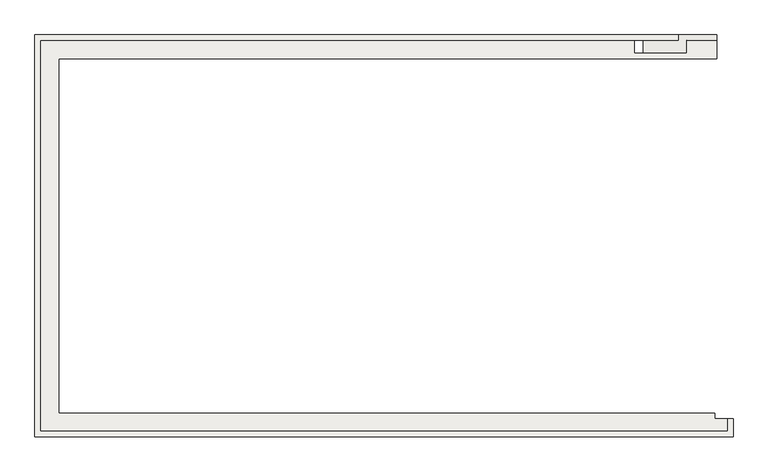
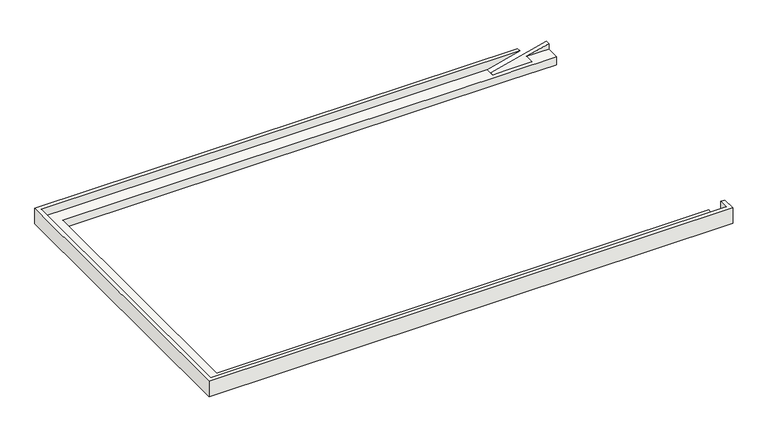
"""IFC4 building model written with IfcOpenShell, lengths in millimetres: slab geometry."""

from ifc_helpers import new_model, si_unit, origin, place, context, project, spatial, faceted_brep, source, transform, mapped, element, save


def slab_ff058162(model_context):
    return source(origin(), model_context, "Body", "Brep", [
        faceted_brep([(18779.3852488, -508.8235294, 4700.0), (18779.3852488, -508.8235294, 4100.0), (18779.3852488, -8.8235294, 4100.0), (18779.3852488, -8.8235294, 4700.0), (229.3852488, 141.1764706, 4100.0), (229.3852488, 141.1764706, 4106.0), (229.3852488, 141.1764706, 4400.0), (18279.3852488, 141.1764706, 4400.0), (18279.3852488, 141.1764706, 4100.0), (-420.6147512, -508.8235294, 4700.0), (-420.6147512, -508.8235294, 4100.0), (18629.3852488, -508.8235294, 4100.0), (-270.6147512, -358.8235294, 4400.0), (-270.6147512, -358.8235294, 4700.0), (18629.3852488, -358.8235294, 4700.0), (18629.3852488, -358.8235294, 4400.0), (18329.3852488, 9891.1764706, 4100.0), (18329.3852488, 10541.1764706, 4100.0), (18329.3852488, 10541.1764706, 4604.1612425), (18329.3852488, 10391.1764706, 4604.1612425), (18329.3852488, 10391.1764706, 4400.0), (18329.3852488, 9891.1764706, 4400.0), (229.3852488, 9891.1764706, 4100.0), (229.3852488, 9891.1764706, 4106.0), (229.3852488, 9891.1764706, 4400.0), (-420.6147512, 10541.1764706, 4700.0), (-420.6147512, 10541.1764706, 4100.0), (-270.6147512, 10391.1764706, 4400.0), (-270.6147512, 10391.1764706, 4700.0), (14860.5570268, 10541.1764706, 4100.0), (14860.5570268, 10041.1764706, 4100.0), (16307.3049499, 10041.1764706, 4100.0), (16307.3049499, 10541.1764706, 4100.0), (18279.3852488, 9891.1764706, 4100.0), (16579.3852488, 9891.1764706, 4100.0), (18279.3852488, -8.8235294, 4100.0), (17267.025587, 10391.1764706, 4700.0), (17267.025587, 10541.1764706, 4700.0), (18629.3852488, -8.8235294, 4700.0), (16579.3852488, 9891.1764706, 4400.0), (16729.3852488, 9891.1764706, 4400.0), (18279.3852488, 9891.1764706, 4400.0), (17510.5392299, 10391.1764706, 4400.0), (17510.5392299, 10041.1764706, 4400.0), (16579.3852488, 10041.1764706, 4400.0), (16063.7913069, 10041.1764706, 4400.0), (16063.7913069, 10391.1764706, 4400.0), (18629.3852488, -8.8235294, 4400.0), (18279.3852488, -8.8235294, 4400.0), (18279.3852488, 41.1764706, 4400.0)], [[[0, 1, 2, 3]], [[4, 5, 6, 7, 8]], [[1, 0, 9, 10, 11]], [[12, 13, 14, 15]], [[16, 17, 18, 19, 20, 21]], [[4, 22, 23, 24, 6, 5]], [[10, 9, 25, 26]], [[13, 12, 27, 28]], [[10, 26, 29, 30, 31, 32, 17, 16, 33, 34, 22, 4, 8, 35, 2, 1, 11]], [[13, 28, 36, 37, 25, 9, 0, 3, 38, 14]], [[6, 24, 39, 40, 41, 21, 20, 42, 43, 44, 45, 46, 27, 12, 15, 47, 48, 49, 7]], [[28, 27, 46, 36]], [[26, 25, 37, 29]], [[22, 34, 33, 16, 21, 41, 40, 39, 24, 23]], [[14, 38, 47, 15]], [[2, 35, 48, 47, 38, 3]], [[19, 18, 32, 31, 43, 42]], [[45, 30, 29, 37, 36, 46]], [[30, 45, 44, 43, 31]], [[18, 17, 32]], [[48, 35, 8, 7, 49]], [[42, 20, 19]]]),
    ])


if __name__ == "__main__":
    model = new_model("IFC4")
    model_context = context("Model", 3, world=origin())
    ifc_project = project(units=[si_unit("LENGTHUNIT", "METRE", prefix="MILLI")], contexts=[model_context])
    site = spatial("IfcSite", under=ifc_project)
    building = spatial("IfcBuilding", under=site)
    placement = place(None, origin())
    slab_shape = slab_ff058162(model_context)
    element("IfcSlab", 1, at=placement, inside=building, context=model_context, shape_type="MappedRepresentation", body=[
        mapped(slab_shape, transform((0.0, 0.0, 0.0), x_axis=(1.0, 0.0, 0.0), y_axis=(0.0, 1.0, 0.0), z_axis=(0.0, 0.0, 1.0))),
    ])
    save(model, "model.ifc")
